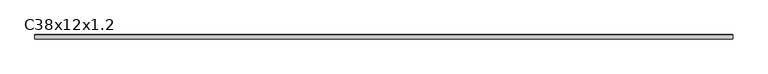
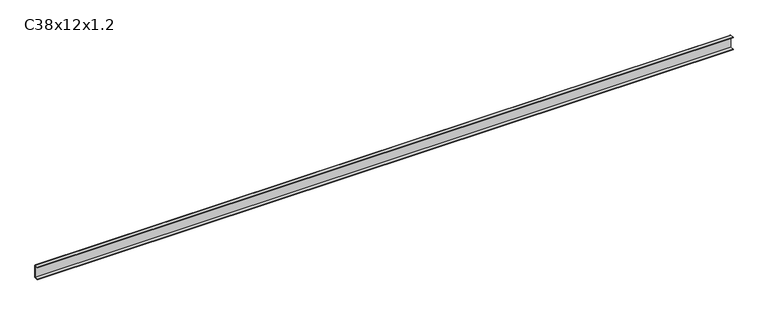
"""IFC4 building model written with IfcOpenShell, lengths in millimetres: proxy geometry, C38x12x1.2."""

from ifc_helpers import new_model, si_unit, point, frame, frame_2d, origin, place, context, project, spatial, polyline, circle_curve, trimmed, segment, composite_curve, outline, extrude, source, transform, mapped, element, save


def c38x12x1_2_2fa6ea0e(model_context):
    return source(origin(), model_context, "Body", "SweptSolid", [
        extrude(outline(composite_curve([segment(polyline([(-6.0, 36.8), (-6.0, 38.0), (4.8, 38.0)]), True, "CONTINUOUS"), segment(trimmed(circle_curve(frame_2d((4.8, 36.8)), 1.2), [point((4.8, 38.0))], [point((6.0, 36.8))], False, "CARTESIAN"), True, "CONTINUOUS"), segment(polyline([(6.0, 36.8), (6.0, 1.2)]), True, "CONTINUOUS"), segment(trimmed(circle_curve(frame_2d((4.8, 1.2)), 1.2), [point((6.0, 1.2))], [point((4.8, 0.0))], False, "CARTESIAN"), True, "CONTINUOUS"), segment(polyline([(4.8, 0.0), (-6.0, 0.0), (-6.0, 1.2), (4.8, 1.2), (4.8, 36.8), (-6.0, 36.8)]), True, "CONTINUOUS")], self_intersect=False)), frame((0.0, 0.0, 0.0), z_axis=(1.0, 0.0, 0.0), x_axis=(0.0, 1.0, 0.0)), (0.0, 0.0, 1.0), 2000.0),
    ])


if __name__ == "__main__":
    model = new_model("IFC4")
    model_context = context("Model", 3, world=origin())
    ifc_project = project(units=[si_unit("LENGTHUNIT", "METRE", prefix="MILLI")], contexts=[model_context])
    site = spatial("IfcSite", under=ifc_project)
    building = spatial("IfcBuilding", under=site)
    placement = place(None, origin())
    c38x12x1_2_shape = c38x12x1_2_2fa6ea0e(model_context)
    element("IfcBuildingElementProxy", 1, Name="C38x12x1.2", ObjectType="C38x12x1.2", at=placement, inside=building, context=model_context, shape_type="MappedRepresentation", body=[
        mapped(c38x12x1_2_shape, transform((0.0, 0.0, 0.0), x_axis=(1.0, 0.0, 0.0), y_axis=(0.0, 1.0, 0.0), z_axis=(0.0, 0.0, 1.0))),
    ])
    save(model, "model.ifc")
